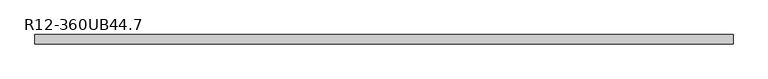
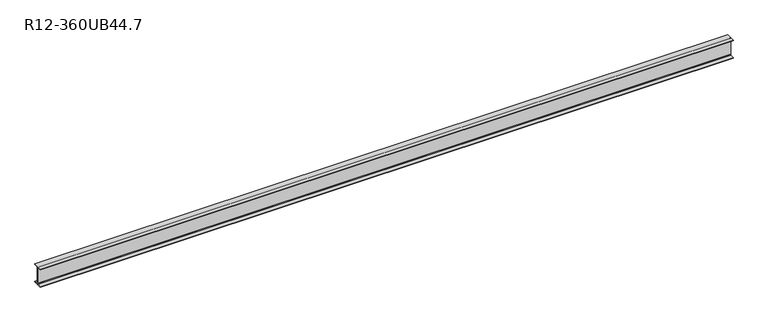
"""IFC4 building model written with IfcOpenShell, lengths in millimetres: beam geometry, R12-360UB44.7."""

from ifc_helpers import new_model, si_unit, point, frame, frame_2d, origin, place, context, project, spatial, polyline, circle_curve, trimmed, segment, composite_curve, outline, extrude, source, transform, mapped, element, save


def r12_360ub44_7_dac2ebec(model_context):
    return source(origin(), model_context, "Body", "SweptSolid", [
        extrude(outline(composite_curve([segment(polyline([(-85.5, -166.3), (-14.85, -166.3)]), True, "CONTINUOUS"), segment(trimmed(circle_curve(frame_2d((-14.85, -154.9)), 11.4), [point((-14.85, -166.3))], [point((-3.45, -154.9))], True, "CARTESIAN"), True, "CONTINUOUS"), segment(polyline([(-3.45, -154.9), (-3.45, 154.9)]), True, "CONTINUOUS"), segment(trimmed(circle_curve(frame_2d((-14.85, 154.9)), 11.4), [point((-3.45, 154.9))], [point((-14.85, 166.3))], True, "CARTESIAN"), True, "CONTINUOUS"), segment(polyline([(-14.85, 166.3), (-85.5, 166.3), (-85.5, 176.0), (85.5, 176.0), (85.5, 166.3), (14.85, 166.3)]), True, "CONTINUOUS"), segment(trimmed(circle_curve(frame_2d((14.85, 154.9)), 11.4), [point((14.85, 166.3))], [point((3.45, 154.9))], True, "CARTESIAN"), True, "CONTINUOUS"), segment(polyline([(3.45, 154.9), (3.45, -154.9)]), True, "CONTINUOUS"), segment(trimmed(circle_curve(frame_2d((14.85, -154.9)), 11.4), [point((3.45, -154.9))], [point((14.85, -166.3))], True, "CARTESIAN"), True, "CONTINUOUS"), segment(polyline([(14.85, -166.3), (85.5, -166.3), (85.5, -176.0), (-85.5, -176.0), (-85.5, -166.3)]), True, "CONTINUOUS")], self_intersect=False)), frame((-6472.0, 0.0, 0.0), z_axis=(1.0, 0.0, 0.0), x_axis=(0.0, 1.0, 0.0)), (0.0, 0.0, 1.0), 12886.0),
    ])


if __name__ == "__main__":
    model = new_model("IFC4")
    model_context = context("Model", 3, world=origin())
    ifc_project = project(units=[si_unit("LENGTHUNIT", "METRE", prefix="MILLI")], contexts=[model_context])
    site = spatial("IfcSite", under=ifc_project)
    building = spatial("IfcBuilding", under=site)
    placement = place(None, origin())
    r12_360ub44_7_shape = r12_360ub44_7_dac2ebec(model_context)
    element("IfcBeam", 1, ObjectType="R12-360UB44.7", at=placement, inside=building, context=model_context, shape_type="MappedRepresentation", body=[
        mapped(r12_360ub44_7_shape, transform((0.0, 0.0, 0.0), x_axis=(1.0, 0.0, 0.0), y_axis=(0.0, 1.0, 0.0), z_axis=(0.0, 0.0, 1.0))),
    ])
    save(model, "model.ifc")
